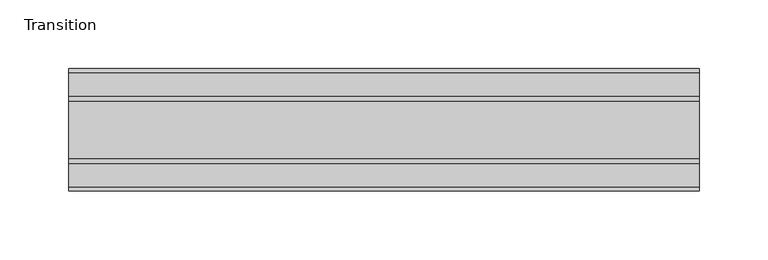
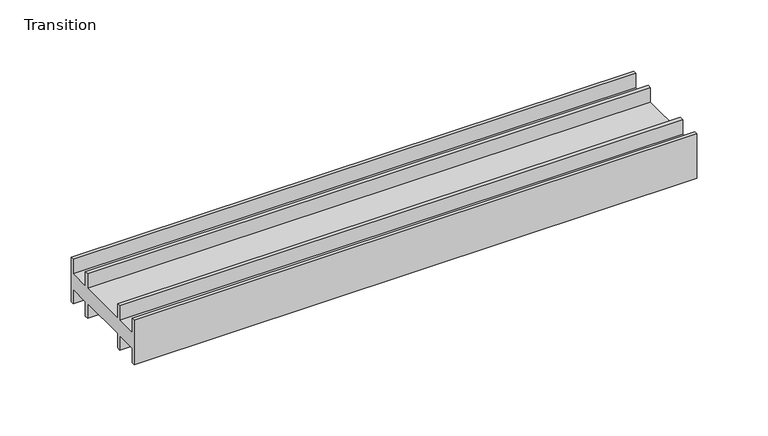
"""IFC4 building model written with IfcOpenShell, lengths in millimetres: furniture geometry, Transition."""

from ifc_helpers import new_model, si_unit, frame, origin, place, context, project, spatial, polyline, outline, extrude, source, transform, mapped, element, save


def transition_d3729796(model_context):
    return source(origin(), model_context, "Body", "SweptSolid", [
        extrude(outline(polyline([(-26.1481963, 19.05), (-26.1481963, 6.6000002), (-8.7481957, 6.6000002), (-8.7481957, 19.05), (-5.4481956, 19.05), (-5.4481956, 6.6000002), (36.4518057, 6.6000002), (36.4518057, 19.05), (39.7518058, 19.05), (39.7518058, 6.6000002), (57.1518064, 6.6000002), (57.1518064, 19.05), (59.951805, 19.05), (59.951805, -19.05), (57.1518064, -19.05), (57.1518064, -6.6000002), (39.7518058, -6.6000002), (39.7518058, -19.05), (36.4518057, -19.05), (36.4518057, -6.6000002), (-5.4481956, -6.6000002), (-5.4481956, -19.05), (-8.7481957, -19.05), (-8.7481957, -6.6000002), (-26.1481963, -6.6000002), (-26.1481963, -19.05), (-28.948195, -19.05), (-28.948195, 19.05), (-26.1481963, 19.05)])), frame((-198.6228469, 0.0, 0.0), z_axis=(1.0, 0.0, 0.0), x_axis=(0.0, 1.0, 0.0)), (0.0, 0.0, 1.0), 457.2),
    ])


if __name__ == "__main__":
    model = new_model("IFC4")
    model_context = context("Model", 3, world=origin())
    ifc_project = project(units=[si_unit("LENGTHUNIT", "METRE", prefix="MILLI")], contexts=[model_context])
    site = spatial("IfcSite", under=ifc_project)
    building = spatial("IfcBuilding", under=site)
    placement = place(None, origin())
    transition_shape = transition_d3729796(model_context)
    element("IfcFurniture", 1, ObjectType="Transition", at=placement, inside=building, context=model_context, shape_type="MappedRepresentation", body=[
        mapped(transition_shape, transform((0.0, 0.0, 0.0), x_axis=(1.0, 0.0, 0.0), y_axis=(0.0, 1.0, 0.0), z_axis=(0.0, 0.0, 1.0))),
    ])
    save(model, "model.ifc")
